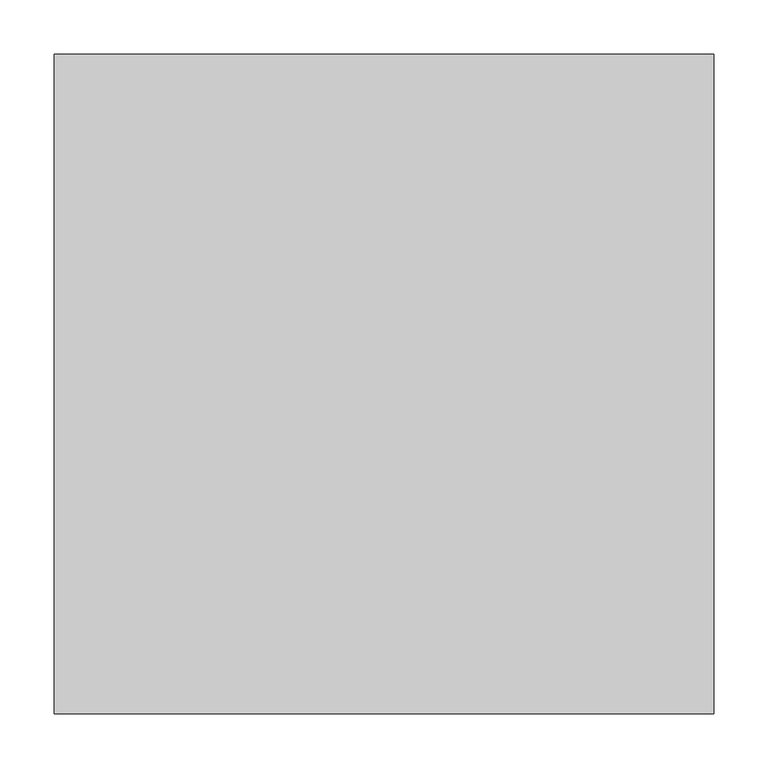
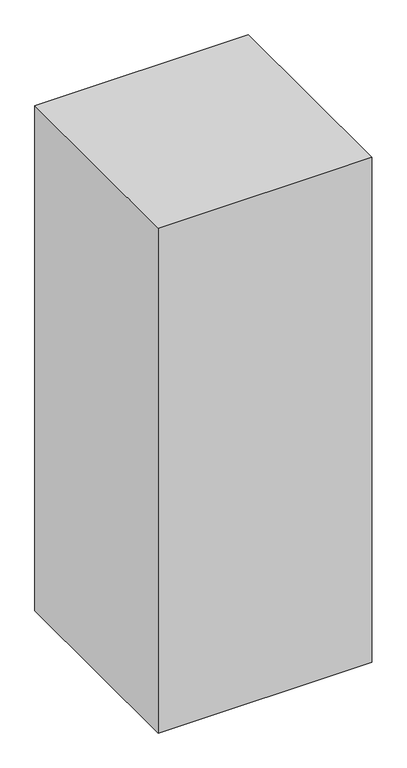
"""IFC4 building model written with IfcOpenShell, lengths in millimetres: proxy geometry."""

from ifc_helpers import new_model, si_unit, origin, origin_with_axes, place, context, project, spatial, polyline, outline, extrude, source, transform, mapped, element, save


def specialty_equipment_94b9f665(model_context):
    return source(origin(), model_context, "Body", "SweptSolid", [
        extrude(outline(polyline([(304.8, -304.8), (-304.8, -304.8), (-304.8, 304.8), (304.8, 304.8), (304.8, -304.8)])), origin_with_axes(), (0.0, 0.0, 1.0), 1524.0),
    ])


if __name__ == "__main__":
    model = new_model("IFC4")
    model_context = context("Model", 3, world=origin())
    ifc_project = project(units=[si_unit("LENGTHUNIT", "METRE", prefix="MILLI")], contexts=[model_context])
    site = spatial("IfcSite", under=ifc_project)
    building = spatial("IfcBuilding", under=site)
    placement = place(None, origin())
    specialty_equipment_shape = specialty_equipment_94b9f665(model_context)
    element("IfcBuildingElementProxy", 1, Name="Specialty Equipment", at=placement, inside=building, context=model_context, shape_type="MappedRepresentation", body=[
        mapped(specialty_equipment_shape, transform((0.0, 0.0, 0.0), x_axis=(1.0, 0.0, 0.0), y_axis=(0.0, 1.0, 0.0), z_axis=(0.0, 0.0, 1.0))),
    ])
    save(model, "model.ifc")
